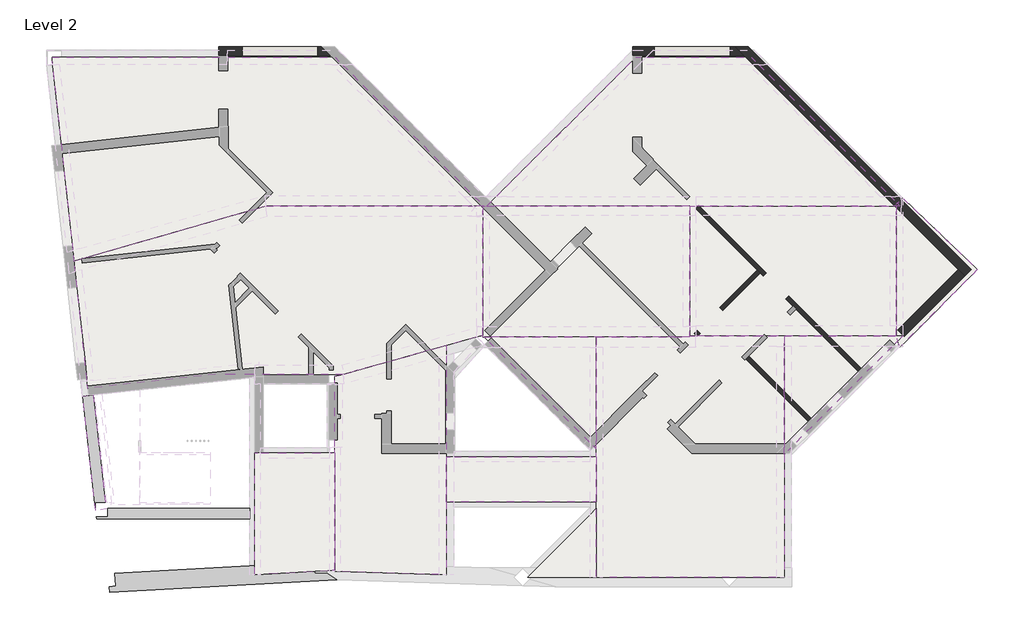
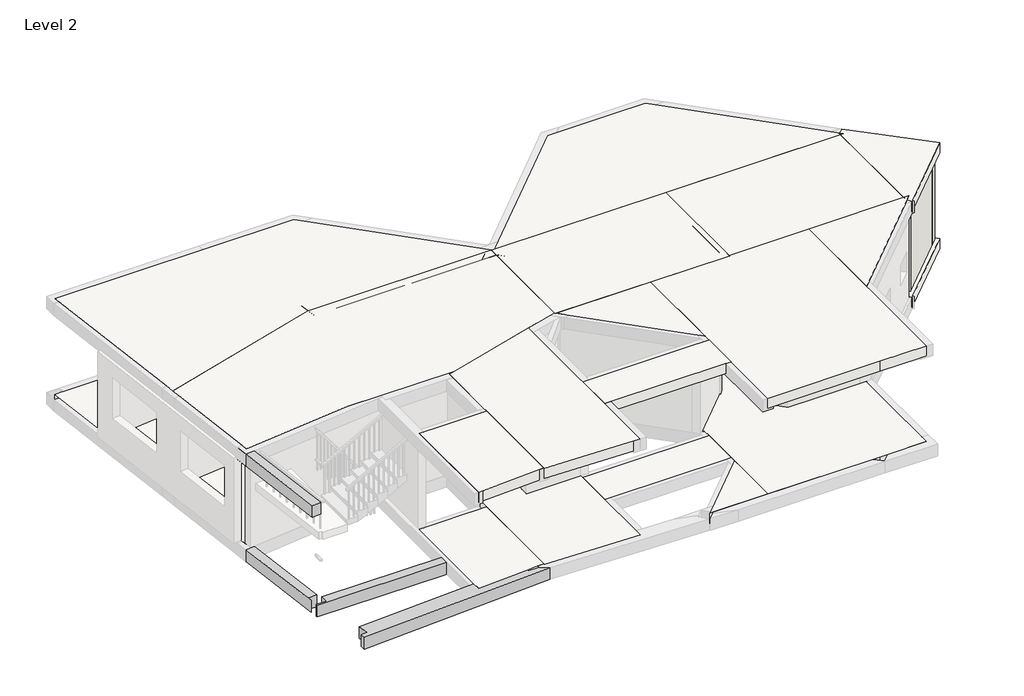
# One storey, part 2 of 5: 25 slabs, 7 walls, 4 beams.
"""IFC4 building model written with IfcOpenShell, lengths in millimetres."""

from ifc_helpers import new_model, si_unit, frame, origin, place, context, project, spatial, polyline, outline, extrude, faceted_brep, element, save

model = new_model("IFC4")

# Units and contexts
model_context = context("Model", 3, world=origin())
ifc_project = project(units=[si_unit("LENGTHUNIT", "METRE", prefix="MILLI")], contexts=[model_context])

# Site, building, storey
site = spatial("IfcSite", under=ifc_project)
building = spatial("IfcBuilding", under=site)
storey = spatial("IfcBuildingStorey", under=building, Name="Level 2", Elevation=4250.0)

# Beams
placement = place(None, origin())
element("IfcBeam", 1, ObjectType="Concrete-Rectangular Beam : 250 x 350mm 2", at=placement, inside=storey, context=model_context, shape_type="SweptSolid", body=[
    extrude(outline(polyline([(1269.0, -10918.0), (1269.0, -10707.0), (4639.0, -10707.0), (4639.0, -10957.0), (997.3779419, -10957.0), (992.9866174, -10918.0), (1269.0, -10918.0)])), frame((0.0, 0.0, 3900.0), z_axis=(0.0, 0.0, 1.0), x_axis=(1.0, 0.0, 0.0)), (0.0, 0.0, 1.0), 350.0),
])
element("IfcBeam", 2, ObjectType="Concrete-Rectangular Beam : 250 x 350mm 2", at=placement, inside=storey, context=model_context, shape_type="SweptSolid", body=[
    extrude(outline(polyline([(669.5794133, -8045.7729045), (918.0872574, -8018.4904204), (1205.1570947, -10568.0), (969.0, -10568.0), (969.0, -10704.9713115), (669.5794133, -8045.7729045)])), frame((0.0, 0.0, 3900.0), z_axis=(0.0, 0.0, 1.0), x_axis=(1.0, 0.0, 0.0)), (0.0, 0.0, 1.0), 350.0),
])
element("IfcBeam", 3, ObjectType="Concrete-Rectangular Beam : 250 x 350mm 2", at=placement, inside=storey, context=model_context, shape_type="Brep", body=[
    faceted_brep([(975.0126743, -10758.3707592, 7100.0), (975.0126743, -10758.3707592, 6750.0), (1223.4427958, -10730.398009, 6750.0), (1223.4427958, -10730.398009, 7100.0), (631.3840831, -7697.8632657, 7100.0), (630.4174119, -7697.9693919, 7100.0), (669.5794133, -8045.7729045, 7100.0), (918.0872574, -8018.4904204, 6750.0), (918.0872574, -8018.4904204, 7100.0), (630.4174119, -7697.9693919, 6750.0), (631.3840831, -7697.8632657, 6750.0), (669.5794133, -8045.7729045, 6750.0)], [[[0, 1, 2, 3]], [[4, 5, 6]], [[3, 2, 7, 8]], [[9, 10, 11]], [[1, 0, 6, 5, 9, 11]], [[11, 6, 8, 7]], [[9, 5, 4, 10]], [[6, 11, 10, 4]], [[0, 3, 8, 6]], [[2, 1, 11, 7]]]),
])
element("IfcBeam", 4, ObjectType="Concrete-Rectangular Beam : 450 x 350mm 2", at=placement, inside=storey, context=model_context, shape_type="Brep", body=[
    faceted_brep([(1309.7990026, -12711.974574, 4250.0), (6706.7548891, -12411.572585, 4250.0), (6489.0, -12254.2897599, 4250.0), (6489.0, -12262.0, 4250.0), (6189.0, -12262.0, 4250.0), (6189.0, -12215.0432577, 4250.0), (4764.0, -12294.360718, 4250.0), (4764.0, -12069.0124413, 4250.0), (4639.0, -12075.9701133, 4250.0), (1427.429354, -12254.7305535, 4250.0), (1459.501297, -12560.512366, 4250.0), (1302.2862366, -12577.0018767, 4250.0), (1309.7990026, -12711.974574, 3900.0), (6706.7548891, -12411.572585, 3900.0), (1302.2862366, -12577.0018767, 3900.0), (1459.501297, -12560.512366, 3900.0), (1427.429354, -12254.7305535, 3900.0), (4639.0, -12075.9701133, 3900.0), (4889.0, -12062.0547694, 3900.0), (6127.4194087, -11993.1226414, 3900.0), (6189.0, -12037.6018695, 3900.0), (6189.0, -12262.0, 3900.0), (6489.0, -12262.0, 3900.0), (6489.0, -12254.2897599, 3900.0), (4764.0, -12069.0124413, 3950.0), (4889.0, -12062.0547694, 3950.0), (6127.4194087, -11993.1226414, 3950.0), (6189.0, -12037.6018695, 3950.0), (6189.0, -12215.0432577, 3950.0), (4764.0, -12294.360718, 3950.0)], [[[0, 1, 2, 3, 4, 5, 6, 7, 8, 9, 10, 11]], [[1, 0, 12, 13]], [[13, 12, 14, 15, 16, 17, 18, 19, 20, 21, 22, 23]], [[19, 18, 17, 16, 9, 8, 7, 24, 25, 26]], [[12, 0, 11, 14]], [[20, 19, 26, 27]], [[10, 15, 14, 11]], [[15, 10, 9, 16]], [[4, 21, 20, 27, 28, 5]], [[21, 4, 3, 22]], [[22, 3, 2, 23]], [[1, 13, 23, 2]], [[24, 29, 28, 27, 26, 25]], [[29, 6, 5, 28]], [[6, 29, 24, 7]]]),
])

# Slabs
element("IfcSlab", 5, ObjectType="Generic 300mm", at=placement, inside=storey, context=model_context, shape_type="Brep", body=[
    faceted_brep([(4100.0, 16.0, 3950.0), (4253.5, 16.0, 3950.0), (6416.0, 16.0, 3950.0), (6670.4873734, 16.0, 3950.0), (6716.0, -29.5126266, 3950.0), (6845.4873734, -159.0, 3950.0), (9955.3553391, -3268.8679656, 3950.0), (10205.3553391, -3518.8679656, 3950.0), (5026.7938122, -3518.8679656, 3950.0), (473.006454, -4825.8446522, 3950.0), (449.9196411, -4615.6793719, 3950.0), (445.3083128, -4573.7012474, 3950.0), (-37.8923018, -175.0, 3950.0), (-58.8737944, 16.0, 3950.0), (175.0, 16.0, 3950.0), (3953.5, 16.0, 3950.0), (4100.0, 16.0, 4250.0), (3953.5, 16.0, 4250.0), (175.0, 16.0, 4250.0), (-58.8737944, 16.0, 4250.0), (-37.8923018, -175.0, 4250.0), (445.3083128, -4573.7012474, 4250.0), (449.9196411, -4615.6793719, 4250.0), (473.006454, -4825.8446522, 4250.0), (5026.7938122, -3518.8679656, 4250.0), (10205.3553391, -3518.8679656, 4250.0), (9955.3553391, -3268.8679656, 4250.0), (6845.4873734, -159.0, 4250.0), (6716.0, -29.5126266, 4250.0), (6670.4873734, 16.0, 4250.0), (6416.0, 16.0, 4250.0), (4253.5, 16.0, 4250.0)], [[[0, 1, 2, 3, 4, 5, 6, 7, 8, 9, 10, 11, 12, 13, 14, 15]], [[16, 17, 18, 19, 20, 21, 22, 23, 24, 25, 26, 27, 28, 29, 30, 31]], [[3, 2, 1, 0, 16, 31, 30, 29]], [[7, 6, 5, 4, 3, 29, 28, 27, 26, 25]], [[8, 7, 25, 24]], [[9, 8, 24, 23]], [[13, 12, 11, 10, 9, 23, 22, 21, 20, 19]], [[0, 15, 14, 13, 19, 18, 17, 16]]]),
])
element("IfcSlab", 6, ObjectType="Generic 300mm", at=placement, inside=storey, context=model_context, shape_type="Brep", body=[
    faceted_brep([(16568.4873734, 16.0, 3950.0), (16584.0, 0.4873734, 3950.0), (16743.4873734, -159.0, 3950.0), (19878.4711409, -3293.9837675, 3950.0), (19951.9774542, -3367.4900808, 3950.0), (20038.8721152, -3454.3847418, 3950.0), (20103.4711409, -3518.9837675, 3950.0), (15082.6158019, -3518.9837675, 3950.0), (10281.028859, -3518.9837675, 3950.0), (10337.8883476, -3462.1242789, 3950.0), (10506.028859, -3293.9837675, 3950.0), (13788.5, -11.5126266, 3950.0), (13816.0126266, 16.0, 3950.0), (14088.5, 16.0, 3950.0), (16284.0, 16.0, 3950.0), (16568.4873734, 16.0, 4250.0), (16284.0, 16.0, 4250.0), (14088.5, 16.0, 4250.0), (13816.0126266, 16.0, 4250.0), (13788.5, -11.5126266, 4250.0), (10506.028859, -3293.9837675, 4250.0), (10337.8883476, -3462.1242789, 4250.0), (10281.028859, -3518.9837675, 4250.0), (15082.6158019, -3518.9837675, 4250.0), (20103.4711409, -3518.9837675, 4250.0), (20038.8721152, -3454.3847418, 4250.0), (19951.9774542, -3367.4900808, 4250.0), (19878.4711409, -3293.9837675, 4250.0), (16743.4873734, -159.0, 4250.0), (16584.0, 0.4873734, 4250.0)], [[[0, 1, 2, 3, 4, 5, 6, 7, 8, 9, 10, 11, 12, 13, 14]], [[15, 16, 17, 18, 19, 20, 21, 22, 23, 24, 25, 26, 27, 28, 29]], [[6, 5, 4, 3, 2, 1, 0, 15, 29, 28, 27, 26, 25, 24]], [[7, 6, 24, 23]], [[8, 7, 23, 22]], [[12, 11, 10, 9, 8, 22, 21, 20, 19, 18]], [[0, 14, 13, 12, 18, 17, 16, 15]]]),
])
element("IfcSlab", 7, ObjectType="Generic 300mm", at=placement, inside=storey, context=model_context, shape_type="Brep", body=[
    faceted_brep([(5026.7938122, -3518.8679656, 3950.0), (10182.6158019, -3518.8679656, 3950.0), (10182.6158019, -6594.6289903, 3950.0), (9975.571362, -6652.5833228, 3950.0), (9316.0, -6837.2056097, 3950.0), (6862.3963801, -7524.0, 3950.0), (6814.0, -7524.0, 3950.0), (6514.0, -7524.0, 3950.0), (4779.7197329, -7524.0, 3950.0), (4778.0820138, -7524.0, 3950.0), (3818.6508279, -7524.0, 3950.0), (940.1595138, -7840.0157529, 3950.0), (791.0235771, -7856.3886719, 3950.0), (772.6275926, -7682.3568184, 3950.0), (767.2678164, -7631.6516339, 3950.0), (497.4328384, -5078.9270798, 3950.0), (485.2731186, -4963.892271, 3950.0), (470.7493143, -4826.492471, 3950.0), (473.006454, -4825.8446522, 3950.0), (5026.7938122, -3518.8679656, 4250.0), (473.006454, -4825.8446522, 4250.0), (470.7493143, -4826.492471, 4250.0), (485.2731186, -4963.892271, 4250.0), (497.4328384, -5078.9270798, 4250.0), (767.2678164, -7631.6516339, 4250.0), (772.6275926, -7682.3568184, 4250.0), (791.0235771, -7856.3886719, 4250.0), (940.1595138, -7840.0157529, 4250.0), (3818.6508279, -7524.0, 4250.0), (4778.0820138, -7524.0, 4250.0), (4779.7197329, -7524.0, 4250.0), (6514.0, -7524.0, 4250.0), (6814.0, -7524.0, 4250.0), (6862.3963801, -7524.0, 4250.0), (9316.0, -6837.2056097, 4250.0), (9975.571362, -6652.5833228, 4250.0), (10182.6158019, -6594.6289903, 4250.0), (10182.6158019, -3518.8679656, 4250.0)], [[[0, 1, 2, 3, 4, 5, 6, 7, 8, 9, 10, 11, 12, 13, 14, 15, 16, 17, 18]], [[19, 20, 21, 22, 23, 24, 25, 26, 27, 28, 29, 30, 31, 32, 33, 34, 35, 36, 37]], [[1, 0, 19, 37]], [[2, 1, 37, 36]], [[5, 4, 3, 2, 36, 35, 34, 33]], [[10, 9, 8, 7, 6, 5, 33, 32, 31, 30, 29, 28]], [[12, 11, 10, 28, 27, 26]], [[17, 16, 15, 14, 13, 12, 26, 25, 24, 23, 22, 21]], [[0, 18, 17, 21, 20, 19]]]),
])
element("IfcSlab", 8, ObjectType="Generic 300mm", at=placement, inside=storey, context=model_context, shape_type="Brep", body=[
    faceted_brep([(15097.6858143, -3518.9837675, 3950.0), (15097.6858143, -6638.0, 3950.0), (10218.2233047, -6638.0, 3950.0), (10182.6158019, -6638.0, 3950.0), (10182.6158019, -6594.6289903, 3950.0), (10182.6158019, -3768.8679656, 3950.0), (10182.6158019, -3731.1158019, 3950.0), (10182.6158019, -3518.9837675, 3950.0), (10281.028859, -3518.9837675, 3950.0), (15097.6858143, -3518.9837675, 4250.0), (10281.028859, -3518.9837675, 4250.0), (10182.6158019, -3518.9837675, 4250.0), (10182.6158019, -3731.1158019, 4250.0), (10182.6158019, -3768.8679656, 4250.0), (10182.6158019, -6594.6289903, 4250.0), (10182.6158019, -6638.0, 4250.0), (10218.2233047, -6638.0, 4250.0), (15097.6858143, -6638.0, 4250.0)], [[[0, 1, 2, 3, 4, 5, 6, 7, 8]], [[9, 10, 11, 12, 13, 14, 15, 16, 17]], [[1, 0, 9, 17]], [[3, 2, 1, 17, 16, 15]], [[7, 6, 5, 4, 3, 15, 14, 13, 12, 11]], [[0, 8, 7, 11, 10, 9]]]),
])
element("IfcSlab", 9, ObjectType="Generic 300mm", at=placement, inside=storey, context=model_context, shape_type="SweptSolid", body=[
    extrude(outline(polyline([(20012.6158019, -3518.9837675), (20012.6158019, -6612.0), (15097.6858143, -6612.0), (15097.6858143, -3518.9837675), (20012.6158019, -3518.9837675)])), frame((0.0, 0.0, 3950.0), z_axis=(0.0, 0.0, 1.0), x_axis=(1.0, 0.0, 0.0)), (0.0, 0.0, 1.0), 300.0),
])
element("IfcSlab", 10, ObjectType="Generic 300mm", at=placement, inside=storey, context=model_context, shape_type="Brep", body=[
    faceted_brep([(6664.0, -9394.0, 3950.0), (6664.0, -12188.6041043, 3950.0), (6489.0, -12198.344845, 3950.0), (6189.0, -12215.0432577, 3950.0), (4764.0, -12294.360718, 3950.0), (4764.0, -12069.0124413, 3950.0), (4764.0, -9394.0, 3950.0), (4889.0, -9394.0, 3950.0), (6489.0, -9394.0, 3950.0), (6514.0, -9394.0, 3950.0), (6664.0, -9394.0, 4250.0), (6514.0, -9394.0, 4250.0), (6489.0, -9394.0, 4250.0), (4889.0, -9394.0, 4250.0), (4764.0, -9394.0, 4250.0), (4764.0, -12069.0124413, 4250.0), (4764.0, -12294.360718, 4250.0), (6189.0, -12215.0432577, 4250.0), (6489.0, -12198.344845, 4250.0), (6664.0, -12188.6041043, 4250.0)], [[[0, 1, 2, 3, 4, 5, 6, 7, 8, 9]], [[10, 11, 12, 13, 14, 15, 16, 17, 18, 19]], [[1, 0, 10, 19]], [[4, 3, 2, 1, 19, 18, 17, 16]], [[6, 5, 4, 16, 15, 14]], [[0, 9, 8, 7, 6, 14, 13, 12, 11, 10]]]),
])
element("IfcSlab", 11, ObjectType="Generic 300mm", at=placement, inside=storey, context=model_context, shape_type="Brep", body=[
    faceted_brep([(9316.0, -6837.2056097, 3950.0), (9316.0, -7070.8538935, 3950.0), (9316.0, -9483.0, 3950.0), (9316.0, -10556.5, 3950.0), (9316.0, -12093.576263, 3950.0), (9316.0, -12293.6754897, 3950.0), (6664.0, -12210.1264005, 3950.0), (6664.0, -12188.6041043, 3950.0), (6664.0, -9394.0, 3950.0), (6664.0, -9083.5, 3950.0), (6664.0, -7749.0, 3950.0), (6664.0, -7723.5, 3950.0), (6664.0, -7579.5336322, 3950.0), (6814.0, -7537.5467531, 3950.0), (6862.3963801, -7524.0, 3950.0), (9316.0, -6837.2056097, 4250.0), (6862.3963801, -7524.0, 4250.0), (6814.0, -7537.5467531, 4250.0), (6664.0, -7579.5336322, 4250.0), (6664.0, -7723.5, 4250.0), (6664.0, -7749.0, 4250.0), (6664.0, -9083.5, 4250.0), (6664.0, -9394.0, 4250.0), (6664.0, -12188.6041043, 4250.0), (6664.0, -12210.1264005, 4250.0), (9316.0, -12293.6754897, 4250.0), (9316.0, -12093.576263, 4250.0), (9316.0, -10556.5, 4250.0), (9316.0, -9483.0, 4250.0), (9316.0, -7070.8538935, 4250.0)], [[[0, 1, 2, 3, 4, 5, 6, 7, 8, 9, 10, 11, 12, 13, 14]], [[15, 16, 17, 18, 19, 20, 21, 22, 23, 24, 25, 26, 27, 28, 29]], [[5, 4, 3, 2, 1, 0, 15, 29, 28, 27, 26, 25]], [[6, 5, 25, 24]], [[12, 11, 10, 9, 8, 7, 6, 24, 23, 22, 21, 20, 19, 18]], [[0, 14, 13, 12, 18, 17, 16, 15]]]),
])
element("IfcSlab", 12, ObjectType="Generic 300mm", at=placement, inside=storey, context=model_context, shape_type="Brep", body=[
    faceted_brep([(12881.0, -6638.0, 3950.0), (12881.0, -9300.7766953, 3950.0), (12731.0, -9150.7766953, 3950.0), (10468.2233047, -6888.0, 3950.0), (10311.3975806, -6731.1742759, 3950.0), (10218.2233047, -6638.0, 3950.0), (12881.0, -6638.0, 4250.0), (10218.2233047, -6638.0, 4250.0), (10311.3975806, -6731.1742759, 4250.0), (10468.2233047, -6888.0, 4250.0), (12731.0, -9150.7766953, 4250.0), (12881.0, -9300.7766953, 4250.0)], [[[0, 1, 2, 3, 4, 5]], [[6, 7, 8, 9, 10, 11]], [[1, 0, 6, 11]], [[5, 4, 3, 2, 1, 11, 10, 9, 8, 7]], [[0, 5, 7, 6]]]),
])
element("IfcSlab", 13, ObjectType="Generic 300mm", at=placement, inside=storey, context=model_context, shape_type="Brep", body=[
    faceted_brep([(12881.0, -9483.0, 3950.0), (12881.0, -10556.5, 3950.0), (12731.0, -10556.5, 3950.0), (9491.0, -10556.5, 3950.0), (9316.0, -10556.5, 3950.0), (9316.0, -9483.0, 3950.0), (9491.0, -9483.0, 3950.0), (12731.0, -9483.0, 3950.0), (12881.0, -9483.0, 4250.0), (12731.0, -9483.0, 4250.0), (9491.0, -9483.0, 4250.0), (9316.0, -9483.0, 4250.0), (9316.0, -10556.5, 4250.0), (9491.0, -10556.5, 4250.0), (12731.0, -10556.5, 4250.0), (12881.0, -10556.5, 4250.0)], [[[0, 1, 2, 3, 4, 5, 6, 7]], [[8, 9, 10, 11, 12, 13, 14, 15]], [[1, 0, 8, 15]], [[4, 3, 2, 1, 15, 14, 13, 12]], [[5, 4, 12, 11]], [[0, 7, 6, 5, 11, 10, 9, 8]]]),
])
element("IfcSlab", 14, ObjectType="Generic 300mm", at=placement, inside=storey, context=model_context, shape_type="Brep", body=[
    faceted_brep([(12881.0, -10717.333461, 3950.0), (12881.0, -12350.7521853, 3950.0), (11342.016254, -12350.7521853, 3950.0), (11246.8261121, -12350.7521853, 3950.0), (11294.4321826, -12303.1681139, 3950.0), (11471.9301343, -12125.7521853, 3950.0), (12731.0, -10867.2641449, 3950.0), (12881.0, -10717.333461, 4250.0), (12731.0, -10867.2641449, 4250.0), (11471.9301343, -12125.7521853, 4250.0), (11294.4321826, -12303.1681139, 4250.0), (11246.8261121, -12350.7521853, 4250.0), (11342.016254, -12350.7521853, 4250.0), (12881.0, -12350.7521853, 4250.0)], [[[0, 1, 2, 3, 4, 5, 6]], [[7, 8, 9, 10, 11, 12, 13]], [[1, 0, 7, 13]], [[3, 2, 1, 13, 12, 11]], [[0, 6, 5, 4, 3, 11, 10, 9, 8, 7]]]),
])
element("IfcSlab", 15, ObjectType="Generic 300mm", at=placement, inside=storey, context=model_context, shape_type="Brep", body=[
    faceted_brep([(17342.5, -6612.0, 3950.0), (17342.5, -9433.7233047, 3950.0), (17342.5, -12125.7521853, 3950.0), (17342.5, -12350.7521853, 3950.0), (16257.016254, -12350.7521853, 3950.0), (16044.8842196, -12350.7521853, 3950.0), (15832.7521853, -12350.7521853, 3950.0), (12881.0, -12350.7521853, 3950.0), (12881.0, -10717.333461, 3950.0), (12881.0, -10556.5, 3950.0), (12881.0, -9483.0, 3950.0), (12881.0, -9300.7766953, 3950.0), (12881.0, -6638.0, 3950.0), (15097.6341452, -6638.0, 3950.0), (15097.6341452, -6612.0, 3950.0), (17342.5, -6612.0, 4250.0), (15097.6341452, -6612.0, 4250.0), (15097.6341452, -6638.0, 4250.0), (12881.0, -6638.0, 4250.0), (12881.0, -9300.7766953, 4250.0), (12881.0, -9483.0, 4250.0), (12881.0, -10556.5, 4250.0), (12881.0, -10717.333461, 4250.0), (12881.0, -12350.7521853, 4250.0), (15832.7521853, -12350.7521853, 4250.0), (16044.8842196, -12350.7521853, 4250.0), (16257.016254, -12350.7521853, 4250.0), (17342.5, -12350.7521853, 4250.0), (17342.5, -12125.7521853, 4250.0), (17342.5, -9433.7233047, 4250.0)], [[[0, 1, 2, 3, 4, 5, 6, 7, 8, 9, 10, 11, 12, 13, 14]], [[15, 16, 17, 18, 19, 20, 21, 22, 23, 24, 25, 26, 27, 28, 29]], [[3, 2, 1, 0, 15, 29, 28, 27]], [[5, 4, 3, 27, 26, 25]], [[7, 6, 5, 25, 24, 23]], [[12, 11, 10, 9, 8, 7, 23, 22, 21, 20, 19, 18]], [[13, 12, 18, 17]], [[14, 13, 17, 16]], [[0, 14, 16, 15]]]),
])
element("IfcSlab", 16, ObjectType="Generic 300mm", at=placement, inside=storey, context=model_context, shape_type="Brep", body=[
    faceted_brep([(20164.2233047, -6612.0, 3950.0), (20050.7470217, -6725.476283, 3950.0), (19964.4183524, -6811.8049523, 3950.0), (19914.2233047, -6862.0, 3950.0), (17517.5, -9258.7233047, 3950.0), (17342.5, -9433.7233047, 3950.0), (17342.5, -6612.0, 3950.0), (20164.2233047, -6612.0, 4250.0), (17342.5, -6612.0, 4250.0), (17342.5, -9433.7233047, 4250.0), (17517.5, -9258.7233047, 4250.0), (19914.2233047, -6862.0, 4250.0), (19964.4183524, -6811.8049523, 4250.0)], [[[0, 1, 2, 3, 4, 5, 6]], [[7, 8, 9, 10, 11, 12]], [[5, 4, 3, 2, 1, 0, 7, 12, 11, 10, 9]], [[6, 5, 9, 8]], [[0, 6, 8, 7]]]),
])
element("IfcSlab", 17, ObjectType="Generic 300mm", at=placement, inside=storey, context=model_context, shape_type="Brep", body=[
    faceted_brep([(21941.822849, -5029.4707356, 3950.0), (20162.6158019, -6808.6777827, 3950.0), (20109.2935846, -6862.0, 3950.0), (20099.809684, -6871.4839006, 3950.0), (20096.6228269, -6862.0, 3950.0), (20074.9405819, -6797.4749052, 3950.0), (20050.7470217, -6725.476283, 3950.0), (20012.6158019, -6612.0, 3950.0), (20012.6158019, -3480.6410551, 3950.0), (20038.8721152, -3454.3847418, 3950.0), (20099.5104628, -3393.7463941, 3950.0), (20125.9585144, -3367.2983426, 3950.0), (20162.6158019, -3330.6410551, 3950.0), (21941.822849, -5029.4707356, 4250.0), (20162.6158019, -3330.6410551, 4250.0), (20125.9585144, -3367.2983426, 4250.0), (20099.5104628, -3393.7463941, 4250.0), (20038.8721152, -3454.3847418, 4250.0), (20012.6158019, -3480.6410551, 4250.0), (20012.6158019, -6612.0, 4250.0), (20050.7470217, -6725.476283, 4250.0), (20074.9405819, -6797.4749052, 4250.0), (20096.6228269, -6862.0, 4250.0), (20099.809684, -6871.4839006, 4250.0), (20109.2935846, -6862.0, 4250.0), (20162.6158019, -6808.6777827, 4250.0)], [[[0, 1, 2, 3, 4, 5, 6, 7, 8, 9, 10, 11, 12]], [[13, 14, 15, 16, 17, 18, 19, 20, 21, 22, 23, 24, 25]], [[3, 2, 1, 0, 13, 25, 24, 23]], [[8, 7, 19, 18]], [[0, 12, 14, 13]], [[7, 6, 5, 4, 3, 23, 22, 21, 20, 19]], [[12, 11, 10, 9, 8, 18, 17, 16, 15, 14]]]),
])
element("IfcSlab", 18, ObjectType="Generic 300mm", at=placement, inside=storey, context=model_context, shape_type="Brep", body=[
    faceted_brep([(4100.0, 16.0, 6800.0), (6670.4873734, 16.0, 6800.0), (6845.4873734, -159.0, 6800.0), (9980.4711409, -3293.9837675, 6800.0), (10205.3553391, -3518.8679656, 6800.0), (5026.7938122, -3518.8679656, 6800.0), (473.006454, -4825.8446522, 6800.0), (445.3083128, -4573.7012474, 6800.0), (-39.6499138, -159.0, 6800.0), (-58.8737944, 16.0, 6800.0), (4100.0, 16.0, 7100.0), (-58.8737944, 16.0, 7100.0), (-39.6499138, -159.0, 7100.0), (445.3083128, -4573.7012474, 7100.0), (473.006454, -4825.8446522, 7100.0), (5026.7938122, -3518.8679656, 7100.0), (10205.3553391, -3518.8679656, 7100.0), (9980.4711409, -3293.9837675, 7100.0), (6845.4873734, -159.0, 7100.0), (6670.4873734, 16.0, 7100.0)], [[[0, 1, 2, 3, 4, 5, 6, 7, 8, 9]], [[10, 11, 12, 13, 14, 15, 16, 17, 18, 19]], [[1, 0, 10, 19]], [[4, 3, 2, 1, 19, 18, 17, 16]], [[5, 4, 16, 15]], [[6, 5, 15, 14]], [[9, 8, 7, 6, 14, 13, 12, 11]], [[0, 9, 11, 10]]]),
])
element("IfcSlab", 19, ObjectType="Generic 300mm", at=placement, inside=storey, context=model_context, shape_type="Brep", body=[
    faceted_brep([(16568.4873734, 16.0, 6800.0), (16743.4873734, -159.0, 6800.0), (19878.4711409, -3293.9837675, 6800.0), (20038.8721152, -3454.3847418, 6800.0), (20103.4711409, -3518.9837675, 6800.0), (15082.6158019, -3518.9837675, 6800.0), (10281.028859, -3518.9837675, 6800.0), (10506.028859, -3293.9837675, 6800.0), (13816.0126266, 16.0, 6800.0), (14063.5, 16.0, 6800.0), (16568.4873734, 16.0, 7100.0), (14063.5, 16.0, 7100.0), (13816.0126266, 16.0, 7100.0), (10506.028859, -3293.9837675, 7100.0), (10281.028859, -3518.9837675, 7100.0), (15082.6158019, -3518.9837675, 7100.0), (20103.4711409, -3518.9837675, 7100.0), (20038.8721152, -3454.3847418, 7100.0), (19878.4711409, -3293.9837675, 7100.0), (16743.4873734, -159.0, 7100.0)], [[[0, 1, 2, 3, 4, 5, 6, 7, 8, 9]], [[10, 11, 12, 13, 14, 15, 16, 17, 18, 19]], [[4, 3, 2, 1, 0, 10, 19, 18, 17, 16]], [[5, 4, 16, 15]], [[6, 5, 15, 14]], [[8, 7, 6, 14, 13, 12]], [[0, 9, 8, 12, 11, 10]]]),
])
element("IfcSlab", 20, ObjectType="Generic 300mm", at=placement, inside=storey, context=model_context, shape_type="Brep", body=[
    faceted_brep([(5026.7938122, -3518.8679656, 6800.0), (10182.6158019, -3518.8679656, 6800.0), (10182.6158019, -6594.6289903, 6800.0), (10038.4339159, -6634.9873064, 6800.0), (9316.0, -6837.2056097, 6800.0), (6862.3963801, -7524.0, 6800.0), (4764.0, -7524.0, 6800.0), (3818.6508279, -7524.0, 6800.0), (791.0235771, -7856.3886719, 6800.0), (772.6275926, -7682.3568184, 6800.0), (497.4328384, -5078.9270798, 6800.0), (470.7493143, -4826.492471, 6800.0), (473.006454, -4825.8446522, 6800.0), (5026.7938122, -3518.8679656, 7100.0), (473.006454, -4825.8446522, 7100.0), (470.7493143, -4826.492471, 7100.0), (497.4328384, -5078.9270798, 7100.0), (772.6275926, -7682.3568184, 7100.0), (791.0235771, -7856.3886719, 7100.0), (3818.6508279, -7524.0, 7100.0), (4764.0, -7524.0, 7100.0), (6862.3963801, -7524.0, 7100.0), (9316.0, -6837.2056097, 7100.0), (10038.4339159, -6634.9873064, 7100.0), (10182.6158019, -6594.6289903, 7100.0), (10182.6158019, -3518.8679656, 7100.0)], [[[0, 1, 2, 3, 4, 5, 6, 7, 8, 9, 10, 11, 12]], [[13, 14, 15, 16, 17, 18, 19, 20, 21, 22, 23, 24, 25]], [[1, 0, 13, 25]], [[2, 1, 25, 24]], [[5, 4, 3, 2, 24, 23, 22, 21]], [[7, 6, 5, 21, 20, 19]], [[8, 7, 19, 18]], [[11, 10, 9, 8, 18, 17, 16, 15]], [[0, 12, 11, 15, 14, 13]]]),
])
element("IfcSlab", 21, ObjectType="Generic 300mm", at=placement, inside=storey, context=model_context, shape_type="Brep", body=[
    faceted_brep([(15097.6858143, -3518.9837675, 6800.0), (15097.6858143, -6638.0, 6800.0), (10218.2233047, -6638.0, 6800.0), (10182.6158019, -6638.0, 6800.0), (10182.6158019, -6594.6289903, 6800.0), (10182.6158019, -3768.8679656, 6800.0), (10182.6158019, -3743.9837675, 6800.0), (10182.6158019, -3518.9837675, 6800.0), (10205.3553391, -3518.9837675, 6800.0), (10281.028859, -3518.9837675, 6800.0), (15097.6858143, -3518.9837675, 7100.0), (10281.028859, -3518.9837675, 7100.0), (10205.3553391, -3518.9837675, 7100.0), (10182.6158019, -3518.9837675, 7100.0), (10182.6158019, -3743.9837675, 7100.0), (10182.6158019, -3768.8679656, 7100.0), (10182.6158019, -6594.6289903, 7100.0), (10182.6158019, -6638.0, 7100.0), (10218.2233047, -6638.0, 7100.0), (15097.6858143, -6638.0, 7100.0)], [[[0, 1, 2, 3, 4, 5, 6, 7, 8, 9]], [[10, 11, 12, 13, 14, 15, 16, 17, 18, 19]], [[1, 0, 10, 19]], [[3, 2, 1, 19, 18, 17]], [[7, 6, 5, 4, 3, 17, 16, 15, 14, 13]], [[0, 9, 8, 7, 13, 12, 11, 10]]]),
])
element("IfcSlab", 22, ObjectType="Generic 300mm", at=placement, inside=storey, context=model_context, shape_type="Brep", body=[
    faceted_brep([(20012.6158019, -3518.9837675, 6800.0), (20012.6158019, -6612.0, 6800.0), (15097.6858143, -6612.0, 6800.0), (15097.6858143, -6388.0, 6800.0), (15097.6858143, -3743.9837675, 6800.0), (15097.6858143, -3518.9837675, 6800.0), (20012.6158019, -3518.9837675, 7100.0), (15097.6858143, -3518.9837675, 7100.0), (15097.6858143, -3743.9837675, 7100.0), (15097.6858143, -6388.0, 7100.0), (15097.6858143, -6612.0, 7100.0), (20012.6158019, -6612.0, 7100.0)], [[[0, 1, 2, 3, 4, 5]], [[6, 7, 8, 9, 10, 11]], [[1, 0, 6, 11]], [[2, 1, 11, 10]], [[5, 4, 3, 2, 10, 9, 8, 7]], [[0, 5, 7, 6]]]),
])
element("IfcSlab", 23, ObjectType="Generic 300mm", at=placement, inside=storey, context=model_context, shape_type="Brep", body=[
    faceted_brep([(6664.0, -9394.0, 6800.0), (6664.0, -12188.6041043, 6800.0), (6539.0, -12195.5617762, 6800.0), (4889.0, -12287.4030461, 6800.0), (4764.0, -12294.360718, 6800.0), (4764.0, -9394.0, 6800.0), (4889.0, -9394.0, 6800.0), (6539.0, -9394.0, 6800.0), (6664.0, -9394.0, 7100.0), (6539.0, -9394.0, 7100.0), (4889.0, -9394.0, 7100.0), (4764.0, -9394.0, 7100.0), (4764.0, -12294.360718, 7100.0), (4889.0, -12287.4030461, 7100.0), (6539.0, -12195.5617762, 7100.0), (6664.0, -12188.6041043, 7100.0)], [[[0, 1, 2, 3, 4, 5, 6, 7]], [[8, 9, 10, 11, 12, 13, 14, 15]], [[1, 0, 8, 15]], [[4, 3, 2, 1, 15, 14, 13, 12]], [[5, 4, 12, 11]], [[0, 7, 6, 5, 11, 10, 9, 8]]]),
])
element("IfcSlab", 24, ObjectType="Generic 300mm", at=placement, inside=storey, context=model_context, shape_type="Brep", body=[
    faceted_brep([(9316.0, -6837.2056097, 6800.0), (9316.0, -7070.8538935, 6800.0), (9316.0, -9483.0, 6800.0), (9316.0, -10556.5, 6800.0), (9316.0, -12293.6754897, 6800.0), (9141.0, -12288.162258, 6800.0), (6664.0, -12210.1264005, 6800.0), (6664.0, -12188.6041043, 6800.0), (6664.0, -9394.0, 6800.0), (6664.0, -9258.5, 6800.0), (6664.0, -7761.7, 6800.0), (6664.0, -7749.0, 6800.0), (6664.0, -7579.5336322, 6800.0), (6862.3963801, -7524.0, 6800.0), (9316.0, -6837.2056097, 7100.0), (6862.3963801, -7524.0, 7100.0), (6664.0, -7579.5336322, 7100.0), (6664.0, -7749.0, 7100.0), (6664.0, -7761.7, 7100.0), (6664.0, -9258.5, 7100.0), (6664.0, -9394.0, 7100.0), (6664.0, -12188.6041043, 7100.0), (6664.0, -12210.1264005, 7100.0), (9141.0, -12288.162258, 7100.0), (9316.0, -12293.6754897, 7100.0), (9316.0, -10556.5, 7100.0), (9316.0, -9483.0, 7100.0), (9316.0, -7070.8538935, 7100.0)], [[[0, 1, 2, 3, 4, 5, 6, 7, 8, 9, 10, 11, 12, 13]], [[14, 15, 16, 17, 18, 19, 20, 21, 22, 23, 24, 25, 26, 27]], [[4, 3, 2, 1, 0, 14, 27, 26, 25, 24]], [[6, 5, 4, 24, 23, 22]], [[12, 11, 10, 9, 8, 7, 6, 22, 21, 20, 19, 18, 17, 16]], [[0, 13, 12, 16, 15, 14]]]),
])
element("IfcSlab", 25, ObjectType="Generic 300mm", at=placement, inside=storey, context=model_context, shape_type="Brep", body=[
    faceted_brep([(12881.0, -6638.0, 6800.0), (12881.0, -9300.7766953, 6800.0), (12731.0, -9150.7766953, 6800.0), (10468.2233047, -6888.0, 6800.0), (10218.2233047, -6638.0, 6800.0), (12881.0, -6638.0, 7100.0), (10218.2233047, -6638.0, 7100.0), (10468.2233047, -6888.0, 7100.0), (12731.0, -9150.7766953, 7100.0), (12881.0, -9300.7766953, 7100.0)], [[[0, 1, 2, 3, 4]], [[5, 6, 7, 8, 9]], [[1, 0, 5, 9]], [[4, 3, 2, 1, 9, 8, 7, 6]], [[0, 4, 6, 5]]]),
])
element("IfcSlab", 26, ObjectType="Generic 300mm", at=placement, inside=storey, context=model_context, shape_type="Brep", body=[
    faceted_brep([(12881.0, -9483.0, 6800.0), (12881.0, -10556.5, 6800.0), (12731.0, -10556.5, 6800.0), (9491.0, -10556.5, 6800.0), (9316.0, -10556.5, 6800.0), (9316.0, -9483.0, 6800.0), (9491.0, -9483.0, 6800.0), (12731.0, -9483.0, 6800.0), (12881.0, -9483.0, 7100.0), (12731.0, -9483.0, 7100.0), (9491.0, -9483.0, 7100.0), (9316.0, -9483.0, 7100.0), (9316.0, -10556.5, 7100.0), (9491.0, -10556.5, 7100.0), (12731.0, -10556.5, 7100.0), (12881.0, -10556.5, 7100.0)], [[[0, 1, 2, 3, 4, 5, 6, 7]], [[8, 9, 10, 11, 12, 13, 14, 15]], [[1, 0, 8, 15]], [[4, 3, 2, 1, 15, 14, 13, 12]], [[5, 4, 12, 11]], [[0, 7, 6, 5, 11, 10, 9, 8]]]),
])
element("IfcSlab", 27, ObjectType="Generic 300mm", at=placement, inside=storey, context=model_context, shape_type="Brep", body=[
    faceted_brep([(17342.5, -6612.0, 6800.0), (17342.5, -9433.7233047, 6800.0), (17342.5, -12350.7521853, 6800.0), (17167.5, -12350.7521853, 6800.0), (16044.8842196, -12350.7521853, 6800.0), (13031.0, -12350.7521853, 6800.0), (12881.0, -12350.7521853, 6800.0), (12881.0, -10556.5, 6800.0), (12881.0, -9483.0, 6800.0), (12881.0, -9300.7766953, 6800.0), (12881.0, -6638.0, 6800.0), (15097.6341452, -6638.0, 6800.0), (15097.6341452, -6612.0, 6800.0), (17342.5, -6612.0, 7100.0), (15097.6341452, -6612.0, 7100.0), (15097.6341452, -6638.0, 7100.0), (12881.0, -6638.0, 7100.0), (12881.0, -9300.7766953, 7100.0), (12881.0, -9483.0, 7100.0), (12881.0, -10556.5, 7100.0), (12881.0, -12350.7521853, 7100.0), (16044.8842196, -12350.7521853, 7100.0), (17342.5, -12350.7521853, 7100.0), (17342.5, -9433.7233047, 7100.0)], [[[0, 1, 2, 3, 4, 5, 6, 7, 8, 9, 10, 11, 12]], [[13, 14, 15, 16, 17, 18, 19, 20, 21, 22, 23]], [[2, 1, 0, 13, 23, 22]], [[4, 3, 2, 22, 21]], [[6, 5, 4, 21, 20]], [[10, 9, 8, 7, 6, 20, 19, 18, 17, 16]], [[11, 10, 16, 15]], [[12, 11, 15, 14]], [[0, 12, 14, 13]]]),
])
element("IfcSlab", 28, ObjectType="Generic 300mm", at=placement, inside=storey, context=model_context, shape_type="Brep", body=[
    faceted_brep([(20164.2233047, -6612.0, 6800.0), (20050.7470217, -6725.476283, 6800.0), (19914.2233047, -6862.0, 6800.0), (17517.5, -9258.7233047, 6800.0), (17342.5, -9433.7233047, 6800.0), (17342.5, -6612.0, 6800.0), (20164.2233047, -6612.0, 7100.0), (17342.5, -6612.0, 7100.0), (17342.5, -9433.7233047, 7100.0), (17517.5, -9258.7233047, 7100.0), (19914.2233047, -6862.0, 7100.0), (20050.7470217, -6725.476283, 7100.0)], [[[0, 1, 2, 3, 4, 5]], [[6, 7, 8, 9, 10, 11]], [[4, 3, 2, 1, 0, 6, 11, 10, 9, 8]], [[5, 4, 8, 7]], [[0, 5, 7, 6]]]),
])
element("IfcSlab", 29, ObjectType="Generic 300mm", at=placement, inside=storey, context=model_context, shape_type="Brep", body=[
    faceted_brep([(21941.822849, -5029.4707356, 6800.0), (20162.6158019, -6808.6777827, 6800.0), (20109.2935846, -6862.0, 6800.0), (20099.809684, -6871.4839006, 6800.0), (20096.6228269, -6862.0, 6800.0), (20050.7470217, -6725.476283, 6800.0), (20012.6158019, -6612.0, 6800.0), (20012.6158019, -3480.6410551, 6800.0), (20038.8721152, -3454.3847418, 6800.0), (20125.9585144, -3367.2983426, 6800.0), (20162.6158019, -3330.6410551, 6800.0), (21941.822849, -5029.4707356, 7100.0), (20162.6158019, -3330.6410551, 7100.0), (20125.9585144, -3367.2983426, 7100.0), (20038.8721152, -3454.3847418, 7100.0), (20012.6158019, -3480.6410551, 7100.0), (20012.6158019, -6612.0, 7100.0), (20050.7470217, -6725.476283, 7100.0), (20096.6228269, -6862.0, 7100.0), (20099.809684, -6871.4839006, 7100.0), (20109.2935846, -6862.0, 7100.0), (20162.6158019, -6808.6777827, 7100.0)], [[[0, 1, 2, 3, 4, 5, 6, 7, 8, 9, 10]], [[11, 12, 13, 14, 15, 16, 17, 18, 19, 20, 21]], [[3, 2, 1, 0, 11, 21, 20, 19]], [[7, 6, 16, 15]], [[0, 10, 12, 11]], [[6, 5, 4, 3, 19, 18, 17, 16]], [[10, 9, 8, 7, 15, 14, 13, 12]]]),
])

# Walls
element("IfcWall", 30, ObjectType="Generic - 100mm 2", at=placement, inside=storey, context=model_context, shape_type="SweptSolid", body=[
    extrude(outline(polyline([(-14.2607589, -2134.0), (-14.2607589, 0.0), (1245.297826, 0.0), (1245.297826, -2550.0), (-876.2607589, -2550.0), (-876.2607589, 0.0), (-776.2607588, 0.0), (-776.2607588, -2134.0), (-14.2607589, -2134.0)])), frame((15899.0372495, -5997.898414, 4250.0), z_axis=(-0.707106781186547, 0.707106781186548, 0.0), x_axis=(0.707106781186548, 0.707106781186547, 0.0)), (0.0, 0.0, 1.0), 100.0),
])
element("IfcWall", 31, ObjectType="Generic - 100mm 2", at=placement, inside=storey, context=model_context, shape_type="Brep", body=[
    faceted_brep([(19183.7588429, -7380.0815765, 4250.0), (17459.8325104, -5656.1552439, 4250.0), (17459.8325104, -5656.1552439, 6384.0), (16921.0171431, -5117.3398767, 6384.0), (16921.0171431, -5117.3398767, 4250.0), (15316.1907264, -3512.51346, 4250.0), (15316.1907264, -3512.51346, 6800.0), (19183.7588429, -7380.0815765, 6800.0), (17389.1218323, -5726.865922, 6384.0), (17389.1218323, -5726.865922, 4250.0), (17557.4132462, -5895.157336, 4250.0), (17628.1239243, -5965.8680141, 4250.0), (19113.0481648, -7450.7922546, 4250.0), (19113.0481648, -7450.7922546, 6800.0), (17628.1239243, -5965.8680141, 6800.0), (17557.4132462, -5895.157336, 6800.0), (16779.5957869, -5117.3398767, 6800.0), (16708.8851088, -5046.6291985, 6800.0), (15245.4800483, -3583.2241381, 6800.0), (15245.4800483, -3583.2241381, 4250.0), (16708.8851088, -5046.6291985, 4250.0), (16779.5957869, -5117.3398767, 4250.0), (16850.306465, -5188.0505548, 4250.0), (16850.306465, -5188.0505548, 6384.0)], [[[0, 1, 2, 3, 4, 5, 6, 7]], [[8, 9, 10, 11, 12, 13, 14, 15, 16, 17, 18, 19, 20, 21, 22, 23]], [[22, 21, 20, 19, 5, 4]], [[12, 11, 10, 9, 1, 0]], [[6, 5, 19, 18]], [[7, 6, 18, 17, 16, 15, 14, 13]], [[0, 7, 13, 12]], [[4, 3, 23, 22]], [[2, 1, 9, 8]], [[3, 2, 8, 23]]]),
])
element("IfcWall", 32, ObjectType="Generic - 100mm 2", at=placement, inside=storey, context=model_context, shape_type="SweptSolid", body=[
    extrude(outline(polyline([(16505.6869539, -7088.3049845), (17990.6111944, -8573.229225), (17919.9005163, -8643.9399031), (16434.9762758, -7159.0156626), (16505.6869539, -7088.3049845)])), frame((0.0, 0.0, 4250.0), z_axis=(0.0, 0.0, 1.0), x_axis=(1.0, 0.0, 0.0)), (0.0, 0.0, 1.0), 2550.0),
])
element("IfcWall", 33, ObjectType="Generic - 220mm 2", at=placement, inside=storey, context=model_context, shape_type="Brep", body=[
    faceted_brep([(21796.4725646, -5028.9973639, 4250.0), (16491.4752007, 276.0, 4250.0), (16491.4752007, 276.0, 6800.0), (20012.6158019, -3245.1406012, 6800.0), (20130.3660288, -3362.8908281, 6800.0), (21796.4725646, -5028.9973639, 6800.0), (21640.9090727, -5184.5608557, 4250.0), (21640.9090727, -5184.5608557, 6800.0), (21485.3455808, -5028.9973639, 6800.0), (20012.6158019, -3556.2675849, 6800.0), (19974.802537, -3518.45432, 6800.0), (16400.348217, 56.0, 6800.0), (16180.348217, 276.0, 6800.0), (16180.348217, 276.0, 4250.0), (16400.348217, 56.0, 4250.0), (21485.3455808, -5028.9973639, 4250.0), (20012.6158019, -3480.6410551, 6800.0)], [[[0, 1, 2, 3, 4, 5]], [[6, 7, 8, 9, 10, 11, 12, 13, 14, 15]], [[1, 0, 6, 15, 14, 13]], [[0, 5, 7, 6]], [[4, 3, 16]], [[10, 9, 16]], [[3, 2, 12, 11, 10, 16]], [[5, 4, 16, 9, 8, 7]], [[2, 1, 13, 12]]]),
])
element("IfcWall", 34, ObjectType="Generic - 220mm 2", at=placement, inside=storey, context=model_context, shape_type="SweptSolid", body=[
    extrude(outline(polyline([(20045.6729669, -6468.6699778), (21485.3455808, -5028.9973639), (21640.9090727, -5184.5608557), (20201.2364588, -6624.2334697), (20045.6729669, -6468.6699778)])), frame((0.0, 0.0, 4250.0), z_axis=(0.0, 0.0, 1.0), x_axis=(1.0, 0.0, 0.0)), (0.0, 0.0, 1.0), 2550.0),
])
element("IfcWall", 35, ObjectType="Generic - 220mm 2", at=placement, inside=storey, context=model_context, shape_type="Brep", body=[
    faceted_brep([(3902.9313453, 56.0, 4250.0), (4122.9313453, 56.0, 4250.0), (6567.9113499, 56.0, 4250.0), (6567.9113499, 56.0, 6800.0), (4122.9313453, 56.0, 6800.0), (3902.9313453, 56.0, 6800.0), (4462.9313453, 56.0, 6350.0), (6262.9313453, 56.0, 6350.0), (6262.9313453, 56.0, 5150.0), (4462.9313453, 56.0, 5150.0), (6347.9113499, 276.0, 4250.0), (3902.9313453, 276.0, 4250.0), (3902.9313453, 276.0, 6800.0), (6347.9113499, 276.0, 6800.0), (4462.9313453, 276.0, 5150.0), (6262.9313453, 276.0, 5150.0), (6262.9313453, 276.0, 6350.0), (4462.9313453, 276.0, 6350.0)], [[[0, 1, 2, 3, 4, 5], [6, 7, 8, 9]], [[10, 11, 12, 13], [14, 15, 16, 17]], [[2, 1, 0, 11, 10]], [[5, 4, 3, 13, 12]], [[3, 2, 10, 13]], [[8, 7, 16, 15]], [[8, 15, 14, 9]], [[6, 17, 16, 7]], [[0, 5, 12, 11]], [[9, 14, 17, 6]]]),
])
element("IfcWall", 36, ObjectType="Generic - 220mm 2", at=placement, inside=storey, context=model_context, shape_type="Brep", body=[
    faceted_brep([(16180.348217, 276.0, 4250.0), (13741.4481384, 276.0, 4250.0), (13741.4481384, 276.0, 6800.0), (16180.348217, 276.0, 6800.0), (14261.4481384, 276.0, 5150.0), (16061.4481384, 276.0, 5150.0), (16061.4481384, 276.0, 6350.0), (14261.4481384, 276.0, 6350.0), (13741.4481384, 56.0, 4250.0), (13961.4481384, 56.0, 4250.0), (16400.348217, 56.0, 4250.0), (16400.348217, 56.0, 6800.0), (13961.4481384, 56.0, 6800.0), (13741.4481384, 56.0, 6800.0), (16061.4481384, 56.0, 5150.0), (14261.4481384, 56.0, 5150.0), (14261.4481384, 56.0, 6350.0), (16061.4481384, 56.0, 6350.0)], [[[0, 1, 2, 3], [4, 5, 6, 7]], [[8, 9, 10, 11, 12, 13], [14, 15, 16, 17]], [[1, 0, 10, 9, 8]], [[3, 2, 13, 12, 11]], [[0, 3, 11, 10]], [[14, 5, 4, 15]], [[5, 14, 17, 6]], [[6, 17, 16, 7]], [[7, 16, 15, 4]], [[2, 1, 8, 13]]]),
])

save(model, "model.ifc")
